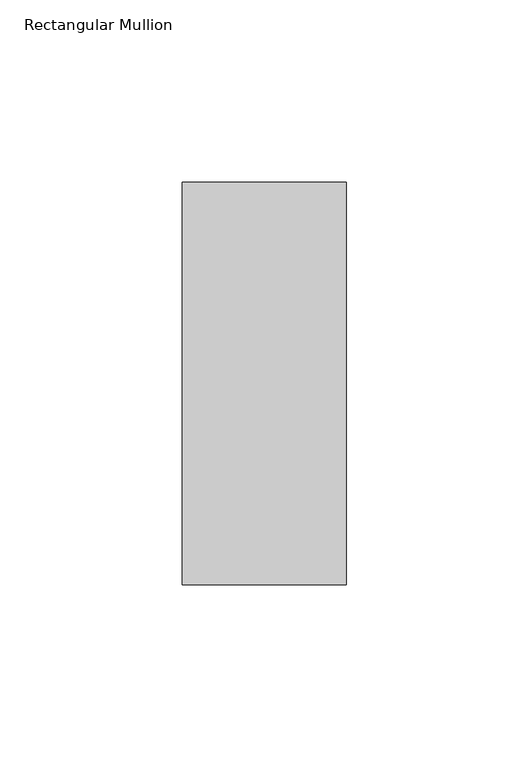
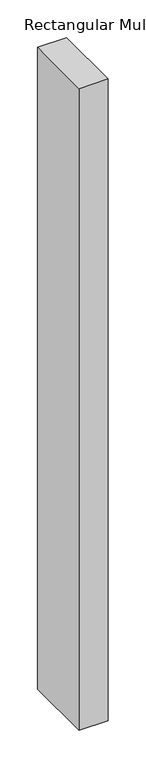
"""IFC4 building model written with IfcOpenShell, lengths in millimetres: member geometry, Rectangular Mullion."""

from ifc_helpers import new_model, si_unit, frame, origin, place, context, project, spatial, polyline, outline, extrude, source, transform, mapped, element, save


def rectangular_mullion_9e265a29(model_context):
    return source(origin(), model_context, "Body", "SweptSolid", [
        extrude(outline(polyline([(0.0, -70.7), (-45.0, -70.7), (-45.0, 39.7), (0.0, 39.7), (0.0, -70.7)])), frame((0.0, 0.0, -1041.8421875), z_axis=(0.0, 0.0, 1.0), x_axis=(1.0, 0.0, 0.0)), (0.0, 0.0, 1.0), 1041.8421875),
    ])


if __name__ == "__main__":
    model = new_model("IFC4")
    model_context = context("Model", 3, world=origin())
    ifc_project = project(units=[si_unit("LENGTHUNIT", "METRE", prefix="MILLI")], contexts=[model_context])
    site = spatial("IfcSite", under=ifc_project)
    building = spatial("IfcBuilding", under=site)
    placement = place(None, origin())
    rectangular_mullion_shape = rectangular_mullion_9e265a29(model_context)
    element("IfcMember", 1, ObjectType="Rectangular Mullion", at=placement, inside=building, context=model_context, shape_type="MappedRepresentation", body=[
        mapped(rectangular_mullion_shape, transform((0.0, 0.0, 0.0), x_axis=(1.0, 0.0, 0.0), y_axis=(0.0, 1.0, 0.0), z_axis=(0.0, 0.0, 1.0))),
    ])
    save(model, "model.ifc")
